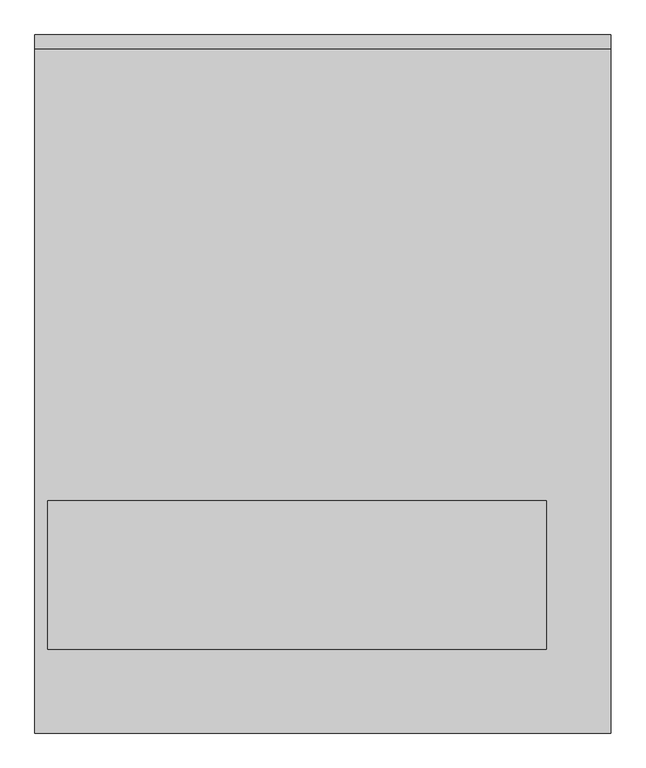
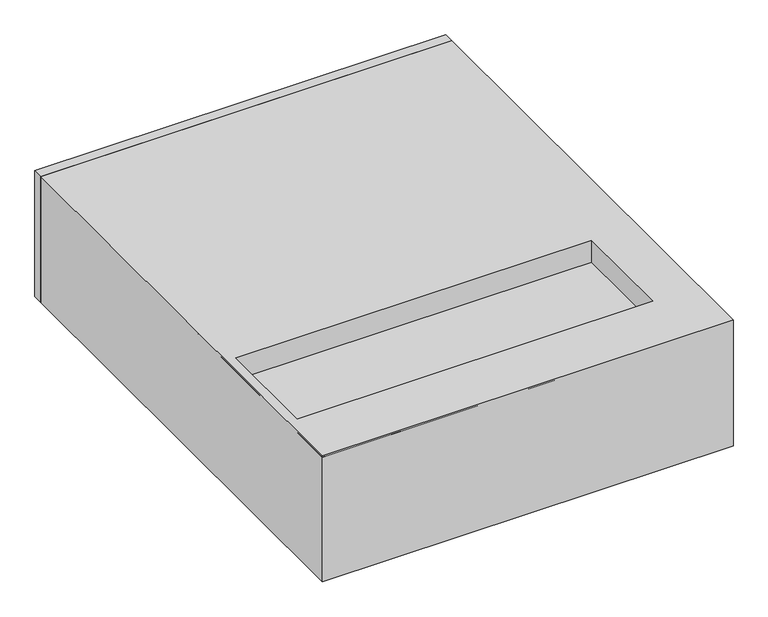
"""IFC4 building model written with IfcOpenShell, lengths in millimetres: proxy geometry."""

from ifc_helpers import new_model, si_unit, point, frame, frame_2d, origin, place, context, project, spatial, polyline, circle_curve, trimmed, segment, composite_curve, outline, extrude, faceted_brep, source, transform, mapped, element, save


def specialty_equipment_5893f75f(model_context):
    return source(origin(), model_context, "Body", "SolidModel", [
        extrude(outline(polyline([(-885.0, 2100.072), (885.0, 2100.072), (885.0, 0.0), (-885.0, 0.0), (-885.0, 2100.072)]), holes=[polyline([(687.0, 257.0), (687.0, 714.0), (-845.0, 714.0), (-845.0, 257.0), (687.0, 257.0)])]), frame((0.0, 0.0, -574.0), z_axis=(0.0, 0.0, 1.0), x_axis=(1.0, 0.0, 0.0)), (0.0, 0.0, 1.0), 574.0),
        extrude(outline(polyline([(-885.0, 2144.072), (885.0, 2144.072), (885.0, 2100.072), (-885.0, 2100.072), (-885.0, 2144.072)])), frame((0.0, 0.0, -574.0), z_axis=(0.0, 0.0, 1.0), x_axis=(1.0, 0.0, 0.0)), (0.0, 0.0, 1.0), 574.0),
        extrude(outline(composite_curve([segment(trimmed(circle_curve(frame_2d((62.6798949, -76.4898909)), 6.4), [point((56.2798949, -76.4898909))], [point((69.0798949, -76.4898909))], False, "CARTESIAN"), True, "CONTINUOUS"), segment(trimmed(circle_curve(frame_2d((62.6798949, -76.4898909)), 6.4), [point((69.0798949, -76.4898909))], [point((56.2798949, -76.4898909))], False, "CARTESIAN"), True, "CONTINUOUS")], self_intersect=False)), frame((833.4195748, 0.0, 0.0), z_axis=(1.0, 0.0, 0.0), x_axis=(0.0, 1.0, 0.0)), (0.0, 0.0, 1.0), 27.5543529),
        extrude(outline(composite_curve([segment(trimmed(circle_curve(frame_2d((-287.0, 562.0)), 101.6), [point((-287.0, 663.6))], [point((-287.0, 460.4))], False, "CARTESIAN"), True, "CONTINUOUS"), segment(trimmed(circle_curve(frame_2d((-287.0, 562.0)), 101.6), [point((-287.0, 460.4))], [point((-287.0, 663.6))], False, "CARTESIAN"), True, "CONTINUOUS")], self_intersect=False)), frame((0.0, 922.0, 0.0), z_axis=(0.0, 1.0, 0.0), x_axis=(0.0, 0.0, 1.0)), (0.0, 0.0, 1.0), 5.0),
        faceted_brep([(885.0, 1069.8941916, -87.5), (885.0, 927.0, -5.0), (885.0, 927.0, -10.7735027), (885.0, 1071.7243186, -94.330127), (885.0, 1079.2243186, -81.339746), (885.0, 1074.8941916, -78.839746), (-802.5, 1069.8941916, -87.5), (-885.0, 927.0, -5.0), (-885.0, 927.0, -569.0), (885.0, 927.0, -569.0), (885.0, 927.0, -563.2264973), (-879.2264973, 927.0, -563.2264973), (-879.2264973, 927.0, -10.7735027), (-795.669873, 1071.7243186, -94.330127), (-808.660254, 1079.2243186, -81.339746), (-811.160254, 1074.8941916, -78.839746), (-802.5, 1069.8941916, -486.5), (-795.669873, 1071.7243186, -479.669873), (-808.660254, 1079.2243186, -492.660254), (-811.160254, 1074.8941916, -495.160254), (885.0, 1069.8941916, -486.5), (885.0, 1074.8941916, -495.160254), (885.0, 1079.2243186, -492.660254), (885.0, 1071.7243186, -479.669873)], [[[0, 1, 2, 3, 4, 5]], [[1, 0, 6, 7]], [[2, 1, 7, 8, 9, 10, 11, 12]], [[3, 2, 12, 13]], [[4, 3, 13, 14]], [[5, 4, 14, 15]], [[0, 5, 15, 6]], [[7, 6, 16, 8]], [[13, 12, 11, 17]], [[14, 13, 17, 18]], [[15, 14, 18, 19]], [[6, 15, 19, 16]], [[20, 21, 22, 23, 10, 9]], [[8, 16, 20, 9]], [[17, 11, 10, 23]], [[18, 17, 23, 22]], [[19, 18, 22, 21]], [[16, 19, 21, 20]]]),
        extrude(outline(polyline([(687.0, 257.0), (-845.0, 257.0), (-845.0, 714.0), (687.0, 714.0), (687.0, 257.0)])), frame((0.0, 0.0, -105.0), z_axis=(0.0, 0.0, 1.0), x_axis=(1.0, 0.0, 0.0)), (0.0, 0.0, 1.0), 5.0),
        extrude(outline(polyline([(687.0, 257.0), (-845.0, 257.0), (-845.0, 714.0), (687.0, 714.0), (687.0, 257.0)])), frame((0.0, 0.0, -474.0), z_axis=(0.0, 0.0, 1.0), x_axis=(1.0, 0.0, 0.0)), (0.0, 0.0, 1.0), 5.0),
        faceted_brep([(885.0, 0.0, -5.0), (885.0, 927.0, -5.0), (-885.0, 927.0, -5.0), (-885.0, 0.0, -5.0), (687.0, 714.0, -5.0), (687.0, 257.0, -5.0), (-845.0, 257.0, -5.0), (-845.0, 714.0, -5.0), (885.0, 0.0, -569.0), (-885.0, 0.0, -569.0), (-885.0, 927.0, -569.0), (885.0, 927.0, -569.0), (687.0, 257.0, -569.0), (687.0, 714.0, -569.0), (-845.0, 714.0, -569.0), (-845.0, 257.0, -569.0), (885.0, 32.6798949, -51.4898909), (885.0, 92.6798949, -51.4898909), (885.0, 92.6798949, -101.4898909), (885.0, 32.6798949, -101.4898909), (885.0, 22.6798949, -186.3984548), (885.0, 102.6798949, -186.3984548), (885.0, 102.6798949, -271.5206219), (885.0, 22.6798949, -271.5206219), (833.4195748, 92.6798949, -51.4898909), (833.4195748, 32.6798949, -51.4898909), (833.4195748, 32.6798949, -101.4898909), (833.4195748, 92.6798949, -101.4898909), (833.4195748, 102.6798949, -186.3984548), (833.4195748, 22.6798949, -186.3984548), (833.4195748, 22.6798949, -271.5206219), (833.4195748, 102.6798949, -271.5206219)], [[[0, 1, 2, 3], [4, 5, 6, 7]], [[8, 9, 10, 11], [12, 13, 14, 15]], [[1, 0, 8, 11], [16, 17, 18, 19], [20, 21, 22, 23]], [[2, 1, 11, 10]], [[3, 2, 10, 9]], [[0, 3, 9, 8]], [[4, 13, 12, 5]], [[13, 4, 7, 14]], [[14, 7, 6, 15]], [[15, 6, 5, 12]], [[24, 25, 26, 27]], [[28, 29, 30, 31]], [[25, 24, 17, 16]], [[26, 25, 16, 19]], [[27, 26, 19, 18]], [[24, 27, 18, 17]], [[29, 28, 21, 20]], [[30, 29, 20, 23]], [[31, 30, 23, 22]], [[28, 31, 22, 21]]]),
        extrude(outline(polyline([(687.0, 262.0), (682.0, 262.0), (682.0, 714.0), (687.0, 714.0), (687.0, 262.0)])), frame((0.0, 0.0, -469.0), z_axis=(0.0, 0.0, 1.0), x_axis=(1.0, 0.0, 0.0)), (0.0, 0.0, 1.0), 364.0),
        extrude(outline(polyline([(687.0, 257.0), (-845.0, 257.0), (-845.0, 262.0), (687.0, 262.0), (687.0, 257.0)])), frame((0.0, 0.0, -469.0), z_axis=(0.0, 0.0, 1.0), x_axis=(1.0, 0.0, 0.0)), (0.0, 0.0, 1.0), 364.0),
    ])


if __name__ == "__main__":
    model = new_model("IFC4")
    model_context = context("Model", 3, world=origin())
    ifc_project = project(units=[si_unit("LENGTHUNIT", "METRE", prefix="MILLI")], contexts=[model_context])
    site = spatial("IfcSite", under=ifc_project)
    building = spatial("IfcBuilding", under=site)
    placement = place(None, origin())
    specialty_equipment_shape = specialty_equipment_5893f75f(model_context)
    element("IfcBuildingElementProxy", 1, Name="Specialty Equipment", at=placement, inside=building, context=model_context, shape_type="MappedRepresentation", body=[
        mapped(specialty_equipment_shape, transform((0.0, 0.0, 0.0), x_axis=(1.0, 0.0, 0.0), y_axis=(0.0, 1.0, 0.0), z_axis=(0.0, 0.0, 1.0))),
    ])
    save(model, "model.ifc")
